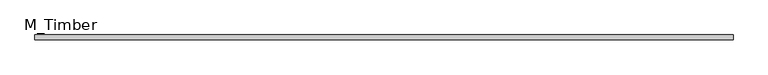
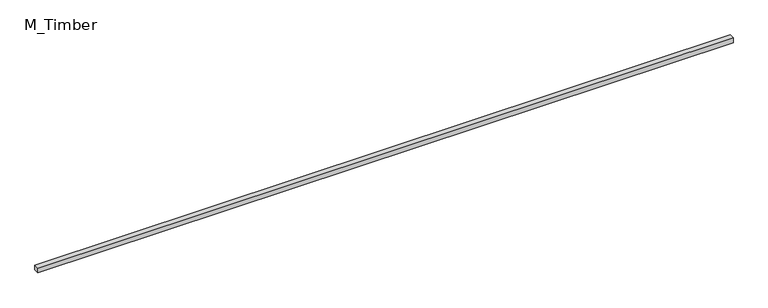
"""IFC4 building model written with IfcOpenShell, lengths in millimetres: beam geometry, M_Timber."""

from ifc_helpers import new_model, si_unit, frame, origin, place, context, project, spatial, polyline, outline, extrude, source, transform, mapped, element, save


def m_timber_5d088e01(model_context):
    return source(origin(), model_context, "Body", "SweptSolid", [
        extrude(outline(polyline([(2777.4336415, 20.0), (2777.4336415, -20.0), (-2777.4336415, -20.0), (-2777.4336415, 20.0), (2777.4336415, 20.0)])), frame((0.0, 0.0, -20.0), z_axis=(0.0, 0.0, 1.0), x_axis=(1.0, 0.0, 0.0)), (0.0, 0.0, 1.0), 40.0),
    ])


if __name__ == "__main__":
    model = new_model("IFC4")
    model_context = context("Model", 3, world=origin())
    ifc_project = project(units=[si_unit("LENGTHUNIT", "METRE", prefix="MILLI")], contexts=[model_context])
    site = spatial("IfcSite", under=ifc_project)
    building = spatial("IfcBuilding", under=site)
    placement = place(None, origin())
    m_timber_shape = m_timber_5d088e01(model_context)
    element("IfcBeam", 1, ObjectType="M_Timber", at=placement, inside=building, context=model_context, shape_type="MappedRepresentation", body=[
        mapped(m_timber_shape, transform((0.0, 0.0, 0.0), x_axis=(1.0, 0.0, 0.0), y_axis=(0.0, 1.0, 0.0), z_axis=(0.0, 0.0, 1.0))),
    ])
    save(model, "model.ifc")
